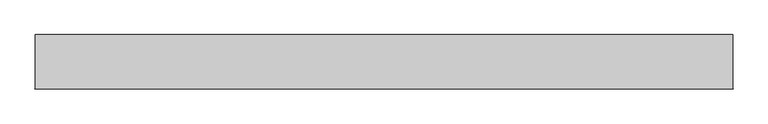
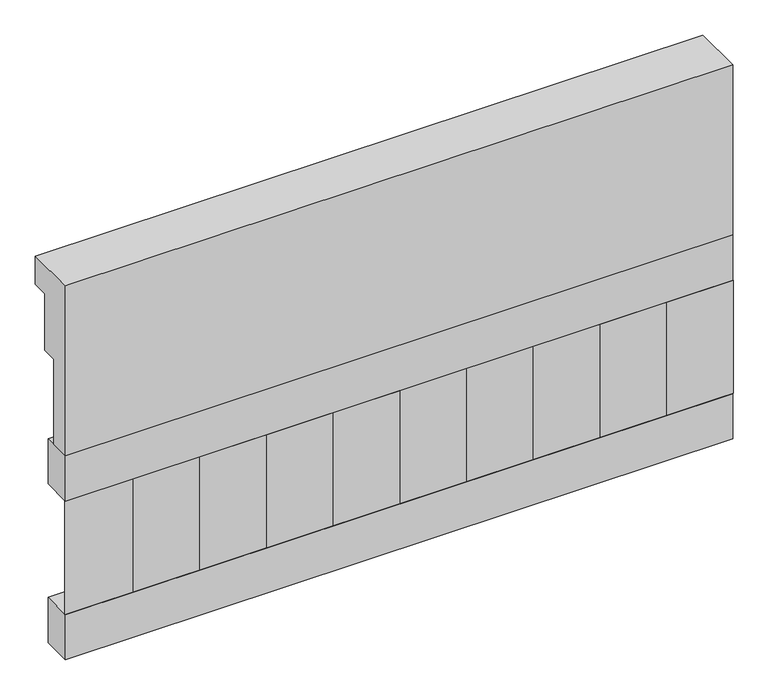
"""IFC4 building model written with IfcOpenShell, lengths in millimetres: railing geometry."""

from ifc_helpers import new_model, si_unit, frame, origin, place, context, project, spatial, polyline, outline, extrude, source, transform, mapped, element, save


def railing_4bbce9b4(model_context):
    return source(origin(), model_context, "Body", "SweptSolid", [
        extrude(outline(polyline([(903.1079487, 28400.0), (1033.1079487, 28400.0), (1033.1079487, 28325.0), (993.1079487, 28325.0), (993.1079487, 28175.0), (953.1079487, 28175.0), (953.1079487, 27950.0), (903.1079487, 27950.0), (903.1079487, 28400.0)])), frame((-8909.9887159, 0.0, 0.0), z_axis=(1.0, 0.0, 0.0), x_axis=(0.0, 1.0, 0.0)), (0.0, 0.0, 1.0), 1670.0),
        extrude(outline(polyline([(-7239.9887159, 978.1079487), (-7239.9887159, 903.1079487), (-8909.9887159, 903.1079487), (-8909.9887159, 978.1079487), (-7239.9887159, 978.1079487)])), frame((0.0, 0.0, 27830.0), z_axis=(0.0, 0.0, 1.0), x_axis=(1.0, 0.0, 0.0)), (0.0, 0.0, 1.0), 120.0),
        extrude(outline(polyline([(-7239.9887159, 978.1079487), (-7239.9887159, 903.1079487), (-8909.9887159, 903.1079487), (-8909.9887159, 978.1079487), (-7239.9887159, 978.1079487)])), frame((0.0, 0.0, 27410.0), z_axis=(0.0, 0.0, 1.0), x_axis=(1.0, 0.0, 0.0)), (0.0, 0.0, 1.0), 120.0),
        extrude(outline(polyline([(-8826.4887159, 987.9607624), (-8741.6359022, 903.1079487), (-8911.3415296, 903.1079487), (-8826.4887159, 987.9607624)])), frame((0.0, 0.0, 27530.0), z_axis=(0.0, 0.0, 1.0), x_axis=(1.0, 0.0, 0.0)), (0.0, 0.0, 1.0), 300.0),
        extrude(outline(polyline([(-8659.4887159, 987.9607624), (-8574.6359022, 903.1079487), (-8744.3415296, 903.1079487), (-8659.4887159, 987.9607624)])), frame((0.0, 0.0, 27530.0), z_axis=(0.0, 0.0, 1.0), x_axis=(1.0, 0.0, 0.0)), (0.0, 0.0, 1.0), 300.0),
        extrude(outline(polyline([(-8492.4887159, 987.9607624), (-8407.6359022, 903.1079487), (-8577.3415296, 903.1079487), (-8492.4887159, 987.9607624)])), frame((0.0, 0.0, 27530.0), z_axis=(0.0, 0.0, 1.0), x_axis=(1.0, 0.0, 0.0)), (0.0, 0.0, 1.0), 300.0),
        extrude(outline(polyline([(-8325.4887159, 987.9607624), (-8240.6359022, 903.1079487), (-8410.3415296, 903.1079487), (-8325.4887159, 987.9607624)])), frame((0.0, 0.0, 27530.0), z_axis=(0.0, 0.0, 1.0), x_axis=(1.0, 0.0, 0.0)), (0.0, 0.0, 1.0), 300.0),
        extrude(outline(polyline([(-8158.4887159, 987.9607624), (-8073.6359022, 903.1079487), (-8243.3415296, 903.1079487), (-8158.4887159, 987.9607624)])), frame((0.0, 0.0, 27530.0), z_axis=(0.0, 0.0, 1.0), x_axis=(1.0, 0.0, 0.0)), (0.0, 0.0, 1.0), 300.0),
        extrude(outline(polyline([(-7991.4887159, 987.9607624), (-7906.6359022, 903.1079487), (-8076.3415296, 903.1079487), (-7991.4887159, 987.9607624)])), frame((0.0, 0.0, 27530.0), z_axis=(0.0, 0.0, 1.0), x_axis=(1.0, 0.0, 0.0)), (0.0, 0.0, 1.0), 300.0),
        extrude(outline(polyline([(-7824.4887159, 987.9607624), (-7739.6359022, 903.1079487), (-7909.3415296, 903.1079487), (-7824.4887159, 987.9607624)])), frame((0.0, 0.0, 27530.0), z_axis=(0.0, 0.0, 1.0), x_axis=(1.0, 0.0, 0.0)), (0.0, 0.0, 1.0), 300.0),
        extrude(outline(polyline([(-7657.4887159, 987.9607624), (-7572.6359022, 903.1079487), (-7742.3415296, 903.1079487), (-7657.4887159, 987.9607624)])), frame((0.0, 0.0, 27530.0), z_axis=(0.0, 0.0, 1.0), x_axis=(1.0, 0.0, 0.0)), (0.0, 0.0, 1.0), 300.0),
        extrude(outline(polyline([(-7490.4887159, 987.9607624), (-7405.6359022, 903.1079487), (-7575.3415296, 903.1079487), (-7490.4887159, 987.9607624)])), frame((0.0, 0.0, 27530.0), z_axis=(0.0, 0.0, 1.0), x_axis=(1.0, 0.0, 0.0)), (0.0, 0.0, 1.0), 300.0),
        extrude(outline(polyline([(-7323.4887159, 987.9607624), (-7238.6359022, 903.1079487), (-7408.3415296, 903.1079487), (-7323.4887159, 987.9607624)])), frame((0.0, 0.0, 27530.0), z_axis=(0.0, 0.0, 1.0), x_axis=(1.0, 0.0, 0.0)), (0.0, 0.0, 1.0), 300.0),
    ])


if __name__ == "__main__":
    model = new_model("IFC4")
    model_context = context("Model", 3, world=origin())
    ifc_project = project(units=[si_unit("LENGTHUNIT", "METRE", prefix="MILLI")], contexts=[model_context])
    site = spatial("IfcSite", under=ifc_project)
    building = spatial("IfcBuilding", under=site)
    placement = place(None, origin())
    railing_shape = railing_4bbce9b4(model_context)
    element("IfcRailing", 1, at=placement, inside=building, context=model_context, shape_type="MappedRepresentation", body=[
        mapped(railing_shape, transform((0.0, 0.0, 0.0), x_axis=(1.0, 0.0, 0.0), y_axis=(0.0, 1.0, 0.0), z_axis=(0.0, 0.0, 1.0))),
    ])
    save(model, "model.ifc")
